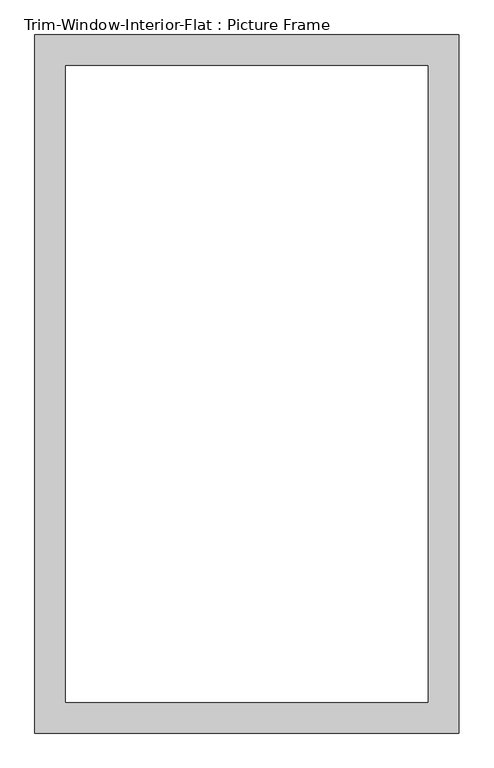
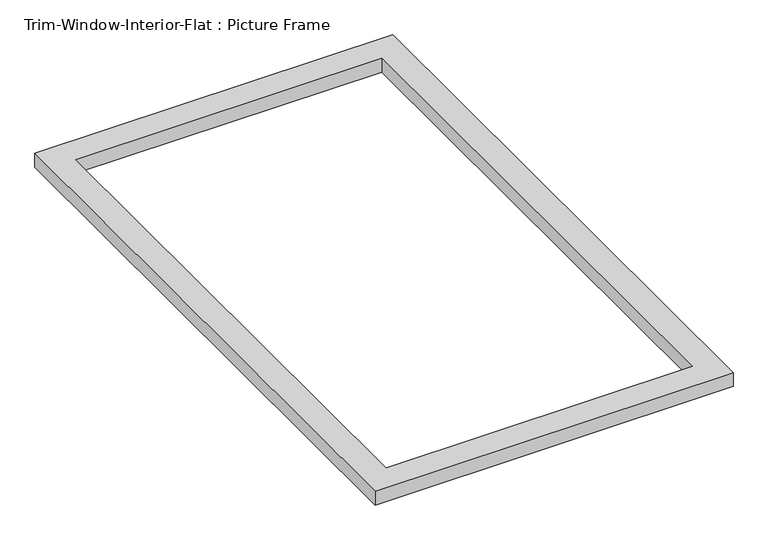
"""IFC4 building model written with IfcOpenShell, lengths in millimetres: proxy geometry, Trim-Window-Interior-Flat : Picture Frame."""

from ifc_helpers import new_model, si_unit, origin, origin_with_axes, place, context, project, spatial, polyline, outline, extrude, source, transform, mapped, element, save


def trim_window_interior_flat_picture_frame_6862ef7b(model_context):
    return source(origin(), model_context, "Body", "SweptSolid", [
        extrude(outline(polyline([(393.7, 44.45), (393.7, -1250.95), (-393.7, -1250.95), (-393.7, 44.45), (393.7, 44.45)]), holes=[polyline([(336.55, -12.7), (-336.55, -12.7), (-336.55, -1193.8), (336.55, -1193.8), (336.55, -12.7)])]), origin_with_axes(), (0.0, 0.0, 1.0), 31.75),
    ])


if __name__ == "__main__":
    model = new_model("IFC4")
    model_context = context("Model", 3, world=origin())
    ifc_project = project(units=[si_unit("LENGTHUNIT", "METRE", prefix="MILLI")], contexts=[model_context])
    site = spatial("IfcSite", under=ifc_project)
    building = spatial("IfcBuilding", under=site)
    placement = place(None, origin())
    trim_window_interior_flat_picture_frame_shape = trim_window_interior_flat_picture_frame_6862ef7b(model_context)
    element("IfcBuildingElementProxy", 1, Name="Trim-Window-Interior-Flat : Picture Frame", ObjectType="Trim-Window-Interior-Flat : Picture Frame", at=placement, inside=building, context=model_context, shape_type="MappedRepresentation", body=[
        mapped(trim_window_interior_flat_picture_frame_shape, transform((0.0, 0.0, 0.0), x_axis=(1.0, 0.0, 0.0), y_axis=(0.0, 1.0, 0.0), z_axis=(0.0, 0.0, 1.0))),
    ])
    save(model, "model.ifc")
